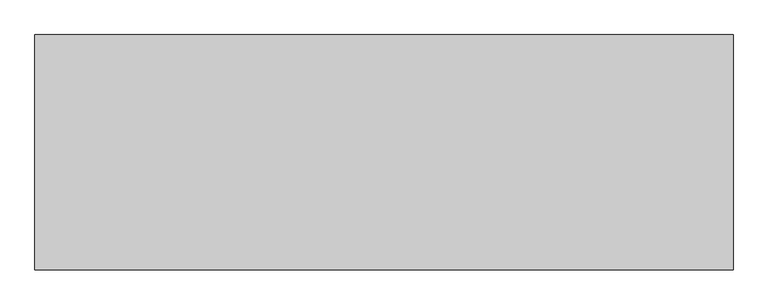
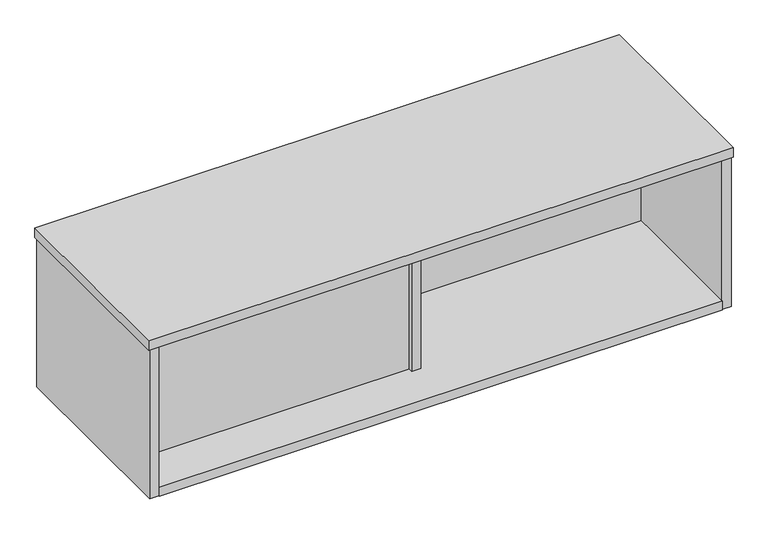
"""IFC4 building model written with IfcOpenShell, lengths in millimetres: furniture geometry."""

from ifc_helpers import new_model, si_unit, frame, origin, place, context, project, spatial, polyline, outline, extrude, source, transform, mapped, element, save


def furniture_d2136053(model_context):
    return source(origin(), model_context, "Body", "SweptSolid", [
        extrude(outline(polyline([(1200.8103885, 107.2006961), (1200.8103885, 87.8966963), (609.6, 87.8966963), (609.6, 107.2006961), (1200.8103885, 107.2006961)])), frame((0.0, 0.0, 818.9188368), z_axis=(0.0, 0.0, 1.0), x_axis=(1.0, 0.0, 0.0)), (0.0, 0.0, 1.0), 309.8291988),
        extrude(outline(polyline([(605.4343931, -107.2006961), (15.3415997, -107.2006961), (15.3415997, -87.8876428), (605.4343931, -87.8876428), (605.4343931, -107.2006961)])), frame((0.0, 0.0, 818.9188368), z_axis=(0.0, 0.0, 1.0), x_axis=(1.0, 0.0, 0.0)), (0.0, 0.0, 1.0), 309.8291988),
        extrude(outline(polyline([(617.7279922, -116.4462961), (598.4239925, -116.4462961), (598.4239925, 116.4462961), (617.7279922, 116.4462961), (617.7279922, -116.4462961)])), frame((0.0, 0.0, 818.9188368), z_axis=(0.0, 0.0, 1.0), x_axis=(1.0, 0.0, 0.0)), (0.0, 0.0, 1.0), 309.8291988),
        extrude(outline(polyline([(1193.7999879, -205.0922961), (22.3519991, -205.0922961), (22.3519991, 205.0922961), (1193.7999879, 205.0922961), (1193.7999879, -205.0922961)])), frame((0.0, 0.0, 799.6148552), z_axis=(0.0, 0.0, 1.0), x_axis=(1.0, 0.0, 0.0)), (0.0, 0.0, 1.0), 19.3039816),
        extrude(outline(polyline([(1213.1040058, -203.2), (1193.7999879, -203.2), (1193.7999879, 203.2), (1213.1040058, 203.2), (1213.1040058, -203.2)])), frame((0.0, 0.0, 799.6148552), z_axis=(0.0, 0.0, 1.0), x_axis=(1.0, 0.0, 0.0)), (0.0, 0.0, 1.0), 329.1331804),
        extrude(outline(polyline([(22.3519991, -203.2), (3.0479999, -203.2), (3.0479999, 203.2), (22.3519991, 203.2), (22.3519991, -203.2)])), frame((0.0, 0.0, 799.6148552), z_axis=(0.0, 0.0, 1.0), x_axis=(1.0, 0.0, 0.0)), (0.0, 0.0, 1.0), 329.1331804),
        extrude(outline(polyline([(1216.1520029, 205.0922961), (1216.1520029, -205.0922961), (0.0, -205.0922961), (0.0, 205.0922961), (1216.1520029, 205.0922961)])), frame((0.0, 0.0, 1128.7480356), z_axis=(0.0, 0.0, 1.0), x_axis=(1.0, 0.0, 0.0)), (0.0, 0.0, 1.0), 20.1168196),
    ])


if __name__ == "__main__":
    model = new_model("IFC4")
    model_context = context("Model", 3, world=origin())
    ifc_project = project(units=[si_unit("LENGTHUNIT", "METRE", prefix="MILLI")], contexts=[model_context])
    site = spatial("IfcSite", under=ifc_project)
    building = spatial("IfcBuilding", under=site)
    placement = place(None, origin())
    furniture_shape = furniture_d2136053(model_context)
    element("IfcFurniture", 1, at=placement, inside=building, context=model_context, shape_type="MappedRepresentation", body=[
        mapped(furniture_shape, transform((0.0, 0.0, 0.0), x_axis=(1.0, 0.0, 0.0), y_axis=(0.0, 1.0, 0.0), z_axis=(0.0, 0.0, 1.0))),
    ])
    save(model, "model.ifc")
